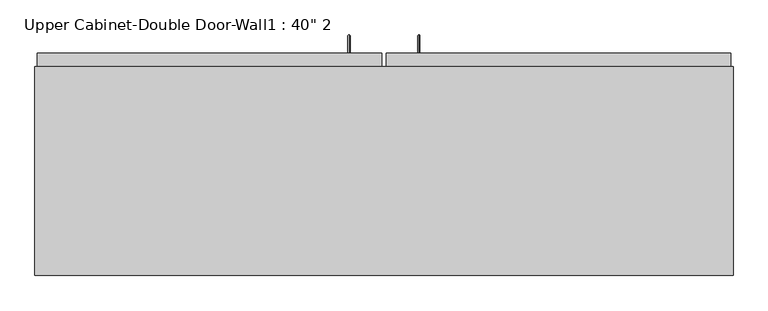
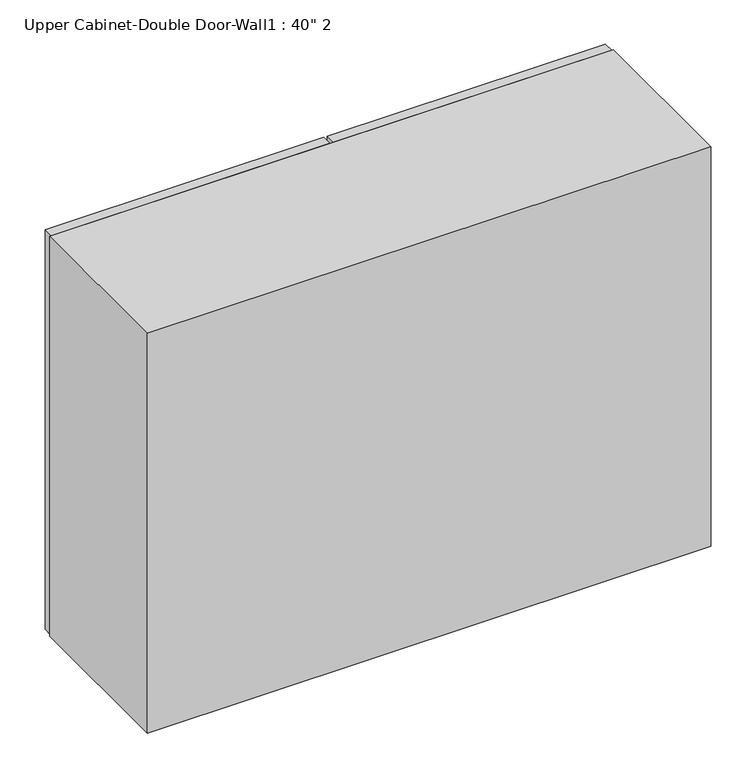
"""IFC4 building model written with IfcOpenShell, lengths in millimetres: furniture geometry."""

from ifc_helpers import new_model, si_unit, frame, origin, place, context, project, spatial, polyline, circle_curve, ellipse_curve, outline, extrude, faceted_brep, source, transform, mapped, element, save
from ifc_brep_helpers import plane_surface, cylinder_surface, advanced_brep


def furniture_02678b72(model_context):
    return source(origin(), model_context, "Body", "SolidModel", [
        advanced_brep(
        [(80.5132081, 385.7625, 1425.575), (80.5132081, 385.7625, 1422.4), (80.5132081, 409.575, 1425.575), (80.5132081, 412.75, 1422.4), (80.5132081, 409.575, 1597.025), (80.5132081, 412.75, 1600.2), (80.5132081, 385.7625, 1597.025), (80.5132081, 385.7625, 1600.2)],
        [
            (0, 1, circle_curve(frame((80.5132081, 385.7625, 1423.9875), z_axis=(0.0, -1.0, 0.0), x_axis=(0.0, 0.0, -1.0)), 1.5875)),
            (1, 0, circle_curve(frame((80.5132081, 385.7625, 1423.9875), z_axis=(0.0, -1.0, 0.0), x_axis=(0.0, 0.0, -1.0)), 1.5875)),
            (0, 2),
            (2, 3, ellipse_curve(frame((80.5132081, 411.1625, 1423.9875), z_axis=(0.0, -0.7071067811865536, -0.7071067811865416), x_axis=(0.0, -0.7071067811865415, 0.7071067811865536)), 2.245064, 1.5875)),
            (3, 1),
            (3, 2, ellipse_curve(frame((80.5132081, 411.1625, 1423.9875), z_axis=(0.0, -0.7071067811865536, -0.7071067811865416), x_axis=(0.0, -0.7071067811865415, 0.7071067811865536)), 2.245064, 1.5875)),
            (2, 4),
            (4, 5, ellipse_curve(frame((80.5132081, 411.1625, 1598.6125), z_axis=(0.0, 0.7071067811865415, -0.7071067811865535), x_axis=(0.0, -0.7071067811865533, -0.7071067811865418)), 2.245064, 1.5875)),
            (5, 3),
            (5, 4, ellipse_curve(frame((80.5132081, 411.1625, 1598.6125), z_axis=(0.0, 0.7071067811865415, -0.7071067811865535), x_axis=(0.0, -0.7071067811865533, -0.7071067811865418)), 2.245064, 1.5875)),
            (6, 7, circle_curve(frame((80.5132081, 385.7625, 1598.6125), z_axis=(0.0, -1.0, 0.0), x_axis=(0.0, 0.0, 1.0)), 1.5875)),
            (7, 6, circle_curve(frame((80.5132081, 385.7625, 1598.6125), z_axis=(0.0, -1.0, 0.0), x_axis=(0.0, 0.0, 1.0)), 1.5875)),
            (4, 6),
            (7, 5),
        ],
        [
            plane_surface(frame((80.5132081, 385.7625, 1423.9875), z_axis=(0.0, -1.0, 0.0), x_axis=(-1.0, 0.0, 0.0))),
            cylinder_surface(frame((80.5132081, 385.7625, 1423.9875), z_axis=(0.0, -1.0, 0.0), x_axis=(0.0, 0.0, -1.0)), 1.5875),
            cylinder_surface(frame((80.5132081, 411.1625, 1423.9875), z_axis=(0.0, 0.0, -1.0), x_axis=(0.0, 1.0, 0.0)), 1.5875),
            plane_surface(frame((80.5132081, 385.7625, 1598.6125), z_axis=(0.0, -1.0, 0.0), x_axis=(-1.0, 0.0, 0.0))),
            cylinder_surface(frame((80.5132081, 411.1625, 1598.6125), z_axis=(0.0, 1.0, 0.0), x_axis=(0.0, 0.0, 1.0)), 1.5875),
        ],
        [
            (0, [[1, 2]]),
            (1, [[-1, 3, 4, 5]]),
            (1, [[-2, -5, 6, -3]]),
            (2, [[-4, 7, 8, 9]]),
            (2, [[-6, -9, 10, -7]]),
            (3, [[11, 12]]),
            (4, [[-8, 13, -12, 14]]),
            (4, [[-10, -14, -11, -13]]),
        ],
    ),
        advanced_brep(
        [(-21.0867919, 385.7625, 1425.575), (-21.0867919, 385.7625, 1422.4), (-21.0867919, 409.575, 1425.575), (-21.0867919, 412.75, 1422.4), (-21.0867919, 409.575, 1597.025), (-21.0867919, 412.75, 1600.2), (-21.0867919, 385.7625, 1597.025), (-21.0867919, 385.7625, 1600.2)],
        [
            (0, 1, circle_curve(frame((-21.0867919, 385.7625, 1423.9875), z_axis=(0.0, -1.0, 0.0), x_axis=(0.0, 0.0, -1.0)), 1.5875)),
            (1, 0, circle_curve(frame((-21.0867919, 385.7625, 1423.9875), z_axis=(0.0, -1.0, 0.0), x_axis=(0.0, 0.0, -1.0)), 1.5875)),
            (0, 2),
            (2, 3, ellipse_curve(frame((-21.0867919, 411.1625, 1423.9875), z_axis=(0.0, -0.7071067811865536, -0.7071067811865414), x_axis=(0.0, -0.7071067811865416, 0.7071067811865535)), 2.245064, 1.5875)),
            (3, 1),
            (3, 2, ellipse_curve(frame((-21.0867919, 411.1625, 1423.9875), z_axis=(0.0, -0.7071067811865536, -0.7071067811865414), x_axis=(0.0, -0.7071067811865416, 0.7071067811865535)), 2.245064, 1.5875)),
            (2, 4),
            (4, 5, ellipse_curve(frame((-21.0867919, 411.1625, 1598.6125), z_axis=(0.0, 0.7071067811865415, -0.7071067811865535), x_axis=(0.0, -0.7071067811865533, -0.7071067811865416)), 2.245064, 1.5875)),
            (5, 3),
            (5, 4, ellipse_curve(frame((-21.0867919, 411.1625, 1598.6125), z_axis=(0.0, 0.7071067811865415, -0.7071067811865535), x_axis=(0.0, -0.7071067811865533, -0.7071067811865416)), 2.245064, 1.5875)),
            (6, 7, circle_curve(frame((-21.0867919, 385.7625, 1598.6125), z_axis=(0.0, -1.0, 0.0), x_axis=(0.0, 0.0, 1.0)), 1.5875)),
            (7, 6, circle_curve(frame((-21.0867919, 385.7625, 1598.6125), z_axis=(0.0, -1.0, 0.0), x_axis=(0.0, 0.0, 1.0)), 1.5875)),
            (4, 6),
            (7, 5),
        ],
        [
            plane_surface(frame((-21.0867919, 385.7625, 1423.9875), z_axis=(0.0, -1.0, 0.0), x_axis=(-1.0, 0.0, 0.0))),
            cylinder_surface(frame((-21.0867919, 385.7625, 1423.9875), z_axis=(0.0, -1.0, 0.0), x_axis=(0.0, 0.0, -1.0)), 1.5875),
            cylinder_surface(frame((-21.0867919, 411.1625, 1423.9875), z_axis=(0.0, 0.0, -1.0), x_axis=(0.0, 1.0, 0.0)), 1.5875),
            plane_surface(frame((-21.0867919, 385.7625, 1598.6125), z_axis=(0.0, -1.0, 0.0), x_axis=(-1.0, 0.0, 0.0))),
            cylinder_surface(frame((-21.0867919, 411.1625, 1598.6125), z_axis=(0.0, 1.0, 0.0), x_axis=(0.0, 0.0, 1.0)), 1.5875),
        ],
        [
            (0, [[1, 2]]),
            (1, [[-1, 3, 4, 5]]),
            (1, [[-2, -5, 6, -3]]),
            (2, [[-4, 7, 8, 9]]),
            (2, [[-6, -9, 10, -7]]),
            (3, [[11, 12]]),
            (4, [[-8, 13, -12, 14]]),
            (4, [[-10, -14, -11, -13]]),
        ],
    ),
        faceted_brep([(-478.2288372, 61.9125, 2133.6), (-478.2288372, 61.9125, 1371.6), (537.7711628, 61.9125, 1371.6), (537.7711628, 61.9125, 2133.6), (-478.2288372, 366.7125, 2133.6), (537.7711628, 366.7125, 2133.6), (537.7711628, 366.7125, 1371.6), (-478.2288372, 366.7125, 1371.6), (518.7211628, 366.7125, 2114.55), (55.1711628, 366.7125, 2114.55), (55.1711628, 366.7125, 1390.65), (518.7211628, 366.7125, 1390.65), (-459.1788372, 366.7125, 2114.55), (-459.1788372, 366.7125, 1390.65), (4.3711628, 366.7125, 1390.65), (4.3711628, 366.7125, 2114.55), (-459.1788372, 80.9625, 2114.55), (4.3711628, 347.6625, 2114.55), (55.1711628, 347.6625, 2114.55), (518.7211628, 80.9625, 2114.55), (518.7211628, 80.9625, 1390.65), (55.1711628, 347.6625, 1390.65), (4.3711628, 347.6625, 1390.65), (-459.1788372, 80.9625, 1390.65)], [[[0, 1, 2, 3]], [[4, 5, 6, 7], [8, 9, 10, 11], [12, 13, 14, 15]], [[1, 0, 4, 7]], [[2, 1, 7, 6]], [[3, 2, 6, 5]], [[0, 3, 5, 4]], [[16, 12, 15, 17, 18, 9, 8, 19]], [[8, 11, 20, 19]], [[20, 11, 10, 21, 22, 14, 13, 23]], [[13, 12, 16, 23]], [[16, 19, 20, 23]], [[18, 21, 10, 9]], [[15, 14, 22, 17]], [[21, 18, 17, 22]]]),
        extrude(outline(polyline([(32.9461628, 385.7625), (534.5961628, 385.7625), (534.5961628, 366.7125), (32.9461628, 366.7125), (32.9461628, 385.7625)])), frame((0.0, 0.0, 1371.6), z_axis=(0.0, 0.0, 1.0), x_axis=(1.0, 0.0, 0.0)), (0.0, 0.0, 1.0), 762.0),
        extrude(outline(polyline([(-475.0538372, 385.7625), (26.5961628, 385.7625), (26.5961628, 366.7125), (-475.0538372, 366.7125), (-475.0538372, 385.7625)])), frame((0.0, 0.0, 1371.6), z_axis=(0.0, 0.0, 1.0), x_axis=(1.0, 0.0, 0.0)), (0.0, 0.0, 1.0), 762.0),
        extrude(outline(polyline([(518.7211628, 347.6625), (518.7211628, 80.9625), (-459.1788372, 80.9625), (-459.1788372, 347.6625), (518.7211628, 347.6625)])), frame((0.0, 0.0, 1951.0326388), z_axis=(0.0, 0.0, 1.0), x_axis=(1.0, 0.0, 0.0)), (0.0, 0.0, 1.0), 12.7),
        extrude(outline(polyline([(518.7211628, 347.6625), (518.7211628, 80.9625), (-459.1788372, 80.9625), (-459.1788372, 347.6625), (518.7211628, 347.6625)])), frame((0.0, 0.0, 1773.2326388), z_axis=(0.0, 0.0, 1.0), x_axis=(1.0, 0.0, 0.0)), (0.0, 0.0, 1.0), 12.7),
        extrude(outline(polyline([(518.7211628, 347.6625), (518.7211628, 80.9625), (-459.1788372, 80.9625), (-459.1788372, 347.6625), (518.7211628, 347.6625)])), frame((0.0, 0.0, 1595.4326388), z_axis=(0.0, 0.0, 1.0), x_axis=(1.0, 0.0, 0.0)), (0.0, 0.0, 1.0), 12.7),
    ])


if __name__ == "__main__":
    model = new_model("IFC4")
    model_context = context("Model", 3, world=origin())
    ifc_project = project(units=[si_unit("LENGTHUNIT", "METRE", prefix="MILLI")], contexts=[model_context])
    site = spatial("IfcSite", under=ifc_project)
    building = spatial("IfcBuilding", under=site)
    placement = place(None, origin())
    furniture_shape = furniture_02678b72(model_context)
    element("IfcFurniture", 1, ObjectType="Upper Cabinet-Double Door-Wall1 : 40\" 2", at=placement, inside=building, context=model_context, shape_type="MappedRepresentation", body=[
        mapped(furniture_shape, transform((0.0, 0.0, 0.0), x_axis=(1.0, 0.0, 0.0), y_axis=(0.0, 1.0, 0.0), z_axis=(0.0, 0.0, 1.0))),
    ])
    save(model, "model.ifc")
